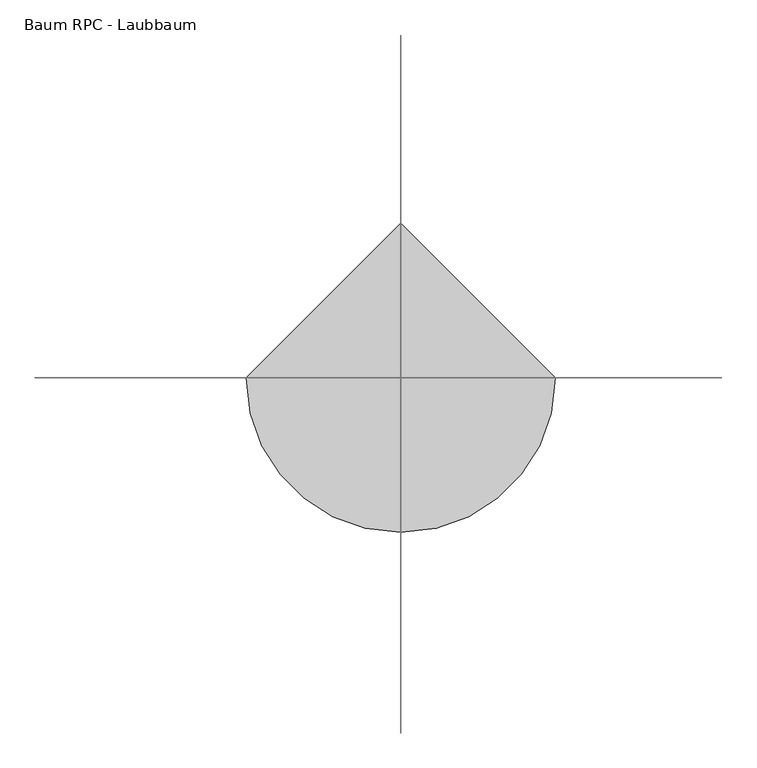
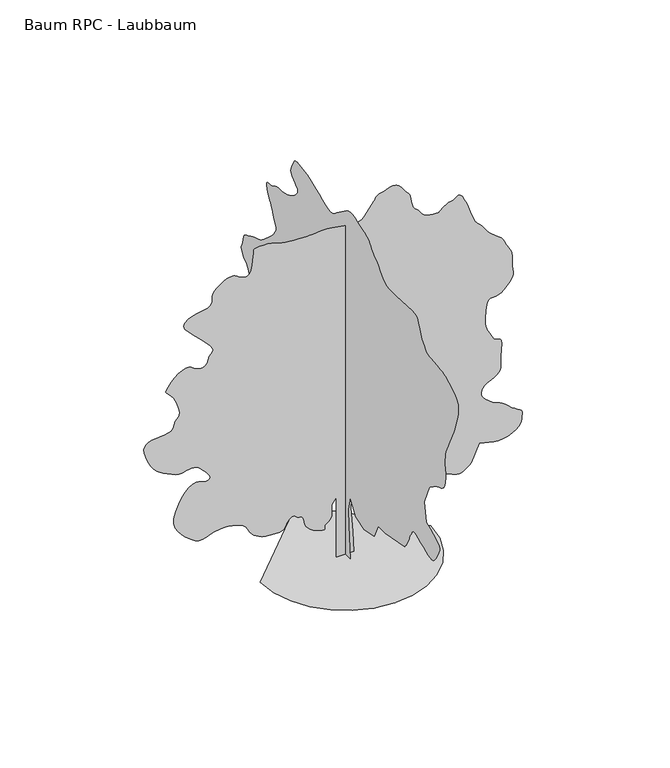
"""IFC4 building model written with IfcOpenShell, lengths in millimetres: geographic element geometry, Baum RPC - Laubbaum."""

from ifc_helpers import new_model, si_unit, origin, place, context, project, spatial, triangles, source, transform, mapped, element, save


def baum_rpc_laubbaum_78a4568a(model_context):
    return source(origin(), model_context, "Body", "Tessellation", [
        triangles([(0.0172504, 306.0074844, 0.0), (0.0172504, -293.5650026, 0.0), (0.0172504, -196.8600042, 1141.1200275), (0.0172504, -177.5185068, 1682.6674953), (0.0172504, -293.5650026, 2185.5350567), (0.0172504, -603.0224945, 1682.6674953), (0.0172504, -1105.8875124, 1527.9400211), (0.0172504, -1686.1174301, 1663.3275421), (0.0172504, -1918.2099495, 2146.8525341), (0.0172504, -2324.3725124, 2146.8525341), (0.0172504, -3446.150116, 2359.6049549), (0.0172504, -3487.4249222, 2409.394939), (0.0172504, -3527.7000801, 2459.5225479), (0.0172504, -3565.9250725, 2510.3249702), (0.0172504, -3601.0999603, 2562.1500046), (0.0172504, -3632.2250954, 2615.3249565), (0.0172504, -3658.2749588, 2670.2000954), (0.0172504, -3678.2499023, 2727.0751122), (0.0172504, -3697.649881, 2785.6750237), (0.0172504, -3722.1251312, 2845.2748741), (0.0172504, -3750.8251236, 2905.7249634), (0.0172504, -3782.89991, 2966.8500114), (0.0172504, -3817.5251221, 3028.475029), (0.0172504, -3853.8249413, 3090.4500252), (0.0172504, -3890.9999977, 3152.5750122), (0.0172504, -3908.7000801, 3172.6499496), (0.0172504, -3933.1750397, 3188.8501236), (0.0172504, -3971.1750458, 3197.2499016), (0.0172504, -4029.4749756, 3193.9751015), (0.0172504, -4114.8499969, 3175.1500877), (0.0172504, -4234.0499886, 3136.8500999), (0.0172504, -4393.8501183, 3075.2250824), (0.0172504, -4562.5749939, 3002.6998581), (0.0172504, -4706.2499451, 2937.9750298), (0.0172504, -4828.2750549, 2886.4249786), (0.0172504, -4932.0251175, 2853.4999535), (0.0172504, -5020.8999252, 2844.5999153), (0.0172504, -5098.249855, 2865.125116), (0.0172504, -5167.5002792, 2920.4999336), (0.0172504, -5237.3750839, 3007.7251328), (0.0172504, -5309.5997452, 3113.9000473), (0.0172504, -5377.1002762, 3229.5499649), (0.0172504, -5432.7497864, 3345.1998825), (0.0172504, -5469.4498718, 3451.3750877), (0.0172504, -5480.1248016, 3538.6249947), (0.0172504, -5457.6250122, 3597.424894), (0.0172504, -5402.6498795, 3641.7000984), (0.0172504, -5323.3000717, 3691.0249947), (0.0172504, -5223.6747574, 3744.5999222), (0.0172504, -5107.774855, 3801.5499344), (0.0172504, -4979.7251129, 3861.0500816), (0.0172504, -4843.5499947, 3922.2251266), (0.0172504, -4703.3251236, 3984.2501198), (0.0172504, -4587.2749397, 4641.8500969), (0.0172504, -4877.3749649, 5318.7747665), (0.0172504, -4886.5249878, 5331.7001404), (0.0172504, -4900.7252838, 5347.4747589), (0.0172504, -4925.0999588, 5369.0251877), (0.0172504, -4964.6748688, 5399.20009), (0.0172504, -5024.5502838, 5440.8498734), (0.0172504, -5109.8247299, 5496.8999405), (0.0172504, -5225.5252258, 5570.225116), (0.0172504, -5351.0501221, 5636.6501312), (0.0172504, -5462.3497238, 5680.0498077), (0.0172504, -5559.4501923, 5715.3499786), (0.0172504, -5642.3497833, 5757.424736), (0.0172504, -5711.0252426, 5821.1499161), (0.0172504, -5765.4998245, 5921.4001923), (0.0172504, -5805.7502747, 6073.0752365), (0.0172504, -5829.0500153, 6222.0498642), (0.0172504, -5835.7501877, 6317.5748474), (0.0172504, -5830.6249191, 6379.6001312), (0.0172504, -5818.3750854, 6428.1000778), (0.0172504, -5803.7748138, 6483.0252136), (0.0172504, -5791.5499786, 6564.3249023), (0.0172504, -5786.4247101, 6692.0002487), (0.0172504, -5788.2251816, 6832.849791), (0.0172504, -5796.1252808, 6949.6752182), (0.0172504, -5813.8247818, 7056.3751007), (0.0172504, -5845.0502014, 7166.7747574), (0.0172504, -5893.550148, 7294.7750839), (0.0172504, -5963.0249771, 7454.2502335), (0.0172504, -6057.1750443, 7659.049942), (0.0172504, -6146.5748199, 7844.1752701), (0.0172504, -6206.1752518, 7955.8748474), (0.0172504, -6246.4751175, 8024.9502823), (0.0172504, -6277.9999374, 8082.1752777), (0.0172504, -6311.225235, 8158.3502792), (0.0172504, -6356.599791, 8284.2751511), (0.0172504, -6424.6752869, 8490.6997604), (0.0172504, -6498.0248795, 8729.4997192), (0.0172504, -6547.3747742, 8935.1499573), (0.0172504, -6565.2498459, 9112.3751862), (0.0172504, -6544.199968, 9265.925116), (0.0172504, -6476.8250107, 9400.5250397), (0.0172504, -6355.6498489, 9520.9002502), (0.0172504, -6173.2249374, 9631.8248749), (0.0172504, -5996.2252762, 9723.0001236), (0.0172504, -5879.7998245, 9785.7747803), (0.0172504, -5799.2250916, 9827.2001587), (0.0172504, -5729.8002594, 9854.4496582), (0.0172504, -5646.85009, 9874.575174), (0.0172504, -5525.6749283, 9894.699527), (0.0172504, -5341.575119, 9921.9501892), (0.0172504, -5144.0999634, 9943.4244598), (0.0172504, -4990.9500092, 9951.725116), (0.0172504, -4869.5998581, 9962.0244873), (0.0172504, -4767.5499825, 9989.5995483), (0.0172504, -4672.2499855, 10049.6505341), (0.0172504, -4571.2000488, 10157.425351), (0.0172504, -4451.8750648, 10328.0998169), (0.0172504, -4347.6750298, 10515.7499908), (0.0172504, -4286.1000092, 10666.5500885), (0.0172504, -4245.8501404, 10783.8254883), (0.0172504, -4205.5749825, 10871.0003998), (0.0172504, -4143.9999619, 10931.4501984), (0.0172504, -4039.7999268, 10968.5502594), (0.0172504, -3871.650016, 10985.7003754), (0.0172504, -2943.2749969, 10927.6748474), (0.0172504, -2772.1499771, 10930.6746643), (0.0172504, -2632.8250511, 10930.2746887), (0.0172504, -2514.4500092, 10937.3254211), (0.0172504, -2406.244986, 10962.6250397), (0.0172504, -2297.3600624, 11017.0496246), (0.0172504, -2176.9724979, 11111.3752625), (0.0172504, -2034.2550465, 11256.4745453), (0.0172504, -1896.7275398, 11403.0249023), (0.0172504, -1793.7050491, 11502.8746216), (0.0172504, -1717.0749882, 11568.5752625), (0.0172504, -1658.7125622, 11612.6248993), (0.0172504, -1610.5025688, 11647.5250946), (0.0172504, -1564.320068, 11685.7995026), (0.0172504, -1512.0500027, 11739.9996826), (0.0172504, -1461.8649845, 11804.0004272), (0.0172504, -1420.8125484, 11863.6002777), (0.0172504, -1379.087479, 11919.1503754), (0.0172504, -1326.8724976, 11970.9495392), (0.0172504, -1254.3574471, 12019.4000702), (0.0172504, -1151.7299904, 12064.7996246), (0.0172504, -1009.182514, 12107.4749268), (0.0172504, -849.1549999, 12154.4999634), (0.0172504, -699.9524792, 12206.6002716), (0.0172504, -560.5600064, 12254.6496643), (0.0172504, -429.9675053, 12289.4998627), (0.0172504, -307.1550161, 12302.0246796), (0.0172504, -191.1079934, 12283.0746735), (0.0172504, -80.8134993, 12223.5248199), (0.0172504, 499.4175176, 11798.0252106), (0.0172504, 562.2325061, 11740.8496307), (0.0172504, 623.0199657, 11688.7504852), (0.0172504, 689.217524, 11646.7751404), (0.0172504, 768.2749804, 11620.0500275), (0.0172504, 867.630035, 11613.6248383), (0.0172504, 994.7275097, 11632.5748444), (0.0172504, 1157.0125168, 11681.9753174), (0.0172504, 1341.1749676, 11755.3254913), (0.0172504, 1526.6899521, 11837.8251068), (0.0172504, 1710.1749733, 11922.0246185), (0.0172504, 1888.2475342, 12000.4500641), (0.0172504, 2057.5249924, 12065.6995697), (0.0172504, 2214.6200546, 12110.3003357), (0.0172504, 2356.1550201, 12126.8249084), (0.0172504, 2484.8875694, 12135.849939), (0.0172504, 2604.4750374, 12156.3754303), (0.0172504, 2712.9251038, 12178.575238), (0.0172504, 2808.1501053, 12192.6755402), (0.0172504, 2888.1748718, 12188.8501923), (0.0172504, 2950.9251114, 12157.2753754), (0.0172504, 2994.400074, 12088.1249451), (0.0172504, 3033.2500282, 12001.2500153), (0.0172504, 3077.8499222, 11921.1246735), (0.0172504, 3119.7499809, 11845.0502472), (0.0172504, 3150.5001389, 11770.3245758), (0.0172504, 3161.6000427, 11694.2745667), (0.0172504, 3144.6249161, 11614.1503876), (0.0172504, 3091.124984, 11527.2498779), (0.0172504, 3009.2500397, 11447.6245056), (0.0172504, 2921.5998665, 11385.2504059), (0.0172504, 2841.4251091, 11331.3502075), (0.0172504, 2781.8749649, 11277.1000305), (0.0172504, 2756.1750801, 11213.7248291), (0.0172504, 2777.4749428, 11132.4251404), (0.0172504, 2859.0249069, 11024.3747589), (0.0172504, 2971.6250107, 10916.7255157), (0.0172504, 3077.7999252, 10838.2000763), (0.0172504, 3178.2249001, 10782.3), (0.0172504, 3273.574894, 10742.6745117), (0.0172504, 3364.5248657, 10712.8251709), (0.0172504, 3451.7750633, 10686.4000397), (0.0172504, 3535.9498672, 10656.8995148), (0.0172504, 3620.024968, 10634.1753204), (0.0172504, 3706.4749237, 10626.6746155), (0.0172504, 3795.2750267, 10625.9502411), (0.0172504, 3886.4499847, 10623.5248077), (0.0172504, 3980.0000885, 10610.9499939), (0.0172504, 4075.9250473, 10579.7495728), (0.0172504, 4174.1998627, 10521.5252197), (0.0172504, 4275.775058, 10469.80047), (0.0172504, 4375.6250679, 10451.2504395), (0.0172504, 4465.0001358, 10446.8995422), (0.0172504, 4535.0999268, 10437.8245148), (0.0172504, 4577.0999794, 10405.075351), (0.0172504, 4582.2249573, 10329.6753021), (0.0172504, 4541.7001053, 10192.7255219), (0.0172504, 4481.7999825, 10048.5994354), (0.0172504, 4432.0751106, 9951.4995483), (0.0172504, 4388.424868, 9882.1247131), (0.0172504, 4346.8250816, 9821.224942), (0.0172504, 4303.1751297, 9749.5002502), (0.0172504, 4253.4249687, 9647.6750702), (0.0172504, 4193.550135, 9496.4499985), (0.0172504, 4130.2749275, 9347.6997757), (0.0172504, 4075.8250534, 9253.7502777), (0.0172504, 4034.1999779, 9195.999733), (0.0172504, 4009.500032, 9155.8498581), (0.0172504, 4005.7749687, 9114.7000443), (0.0172504, 4027.1001205, 9053.900267), (0.0172504, 4077.4999512, 8954.8999146), (0.0172504, 4167.2249977, 8823.6747849), (0.0172504, 4293.1248711, 8684.3501495), (0.0172504, 4439.3499573, 8545.349913), (0.0172504, 4589.9500671, 8415.1497208), (0.0172504, 4729.0750053, 8302.2002197), (0.0172504, 4840.7748734, 8214.9747299), (0.0172504, 4909.1747681, 8161.9000626), (0.0172504, 4969.9001312, 8128.6997635), (0.0172504, 5061.0747986, 8095.1500671), (0.0172504, 5170.5250946, 8060.9248306), (0.0172504, 5286.0750183, 8025.675238), (0.0172504, 5395.524733, 7989.0751465), (0.0172504, 5486.6999817, 7950.8001572), (0.0172504, 5547.4247635, 7910.4747116), (0.0172504, 5598.275148, 7876.9750122), (0.0172504, 5663.0252655, 7853.2997131), (0.0172504, 5734.1749924, 7830.2999542), (0.0172504, 5804.3247803, 7798.8251312), (0.0172504, 5866.0250839, 7749.7752182), (0.0172504, 5911.8001968, 7673.9751938), (0.0172504, 5934.2499893, 7562.325032), (0.0172504, 5952.6250305, 7450.1749008), (0.0172504, 5984.1998474, 7370.8500916), (0.0172504, 6018.4750809, 7312.1501862), (0.0172504, 6045.000206, 7261.899765), (0.0172504, 6053.2252853, 7207.9501511), (0.0172504, 6032.699794, 7138.074765), (0.0172504, 5972.9249542, 7040.1249298), (0.0172504, 5898.7248322, 6948.3747162), (0.0172504, 5838.7250061, 6893.5251572), (0.0172504, 5788.2001831, 6857.9500031), (0.0172504, 5742.4000717, 6824.0497467), (0.0172504, 5696.6249588, 6774.2498795), (0.0172504, 5646.1001358, 6690.9747299), (0.0172504, 5586.0997284, 6556.5997925), (0.0172504, 5520.7002319, 6421.9998688), (0.0172504, 5460.6998245, 6337.1498154), (0.0172504, 5411.5249191, 6283.075209), (0.0172504, 5378.6001846, 6240.824881), (0.0172504, 5367.3247101, 6191.4999847), (0.0172504, 5383.09991, 6116.0999359), (0.0172504, 5431.3748703, 5995.7247253), (0.0172504, 5495.5000259, 5864.0502045), (0.0172504, 5555.8748291, 5761.8250488), (0.0172504, 5613.5747955, 5680.5747757), (0.0172504, 5669.5498672, 5611.8249023), (0.0172504, 5724.8749786, 5547.1497803), (0.0172504, 5780.5250702, 5478.0749268), (0.0172504, 5837.5250793, 5396.1502762), (0.0172504, 5903.6751114, 5315.3499756), (0.0172504, 5980.6500641, 5249.4249298), (0.0172504, 6060.324852, 5189.6000931), (0.0172504, 6134.5999695, 5127.0498413), (0.0172504, 6195.3247513, 5053.0252899), (0.0172504, 6234.4002731, 4958.675235), (0.0172504, 6243.7002869, 4835.2499199), (0.0172504, 6251.5248093, 4738.3250221), (0.0172504, 6280.349794, 4706.349939), (0.0172504, 6313.2251129, 4704.825032), (0.0172504, 6333.2500534, 4699.2500816), (0.0172504, 6323.4750687, 4655.0998695), (0.0172504, 6267.0500244, 4537.8750481), (0.0172504, 6146.999794, 4313.0501083), (0.0172504, 6021.4748978, 4060.8750938), (0.0172504, 5945.6998718, 3875.3750793), (0.0172504, 5898.3248566, 3742.6250427), (0.0172504, 5858.0749878, 3648.7999557), (0.0172504, 5803.5998245, 3580.0000854), (0.0172504, 5713.6000854, 3522.3751144), (0.0172504, 5566.7747452, 3462.0500175), (0.0172504, 5397.250209, 3413.1000984), (0.0172504, 5248.0500137, 3392.5748978), (0.0172504, 5111.025238, 3390.9999939), (0.0172504, 4978.0752136, 3398.9000931), (0.0172504, 4841.0498566, 3406.7749031), (0.0172504, 4691.8499519, 3405.1999992), (0.0172504, 4522.3501236, 3384.6750893), (0.0172504, 4353.2999771, 3366.3000481), (0.0172504, 4207.2498802, 3370.2500977), (0.0172504, 4078.7998718, 3385.7000267), (0.0172504, 3962.5249924, 3401.8249146), (0.0172504, 3853.0249901, 3407.8001312), (0.0172504, 3744.8749054, 3392.799884), (0.0172504, 3632.6500694, 3346.0001244), (0.0172504, 3525.249939, 3296.2499634), (0.0172504, 3436.4251282, 3270.2000999), (0.0172504, 3368.249929, 3253.6249489), (0.0172504, 3322.75009, 3232.3250862), (0.0172504, 3301.9499062, 3192.0499283), (0.0172504, 3307.8751259, 3118.6500481), (0.0172504, 3342.5500443, 2997.8498634), (0.0172504, 3398.475119, 2869.5251381), (0.0172504, 3465.5750931, 2778.7248665), (0.0172504, 3542.0000793, 2719.2500084), (0.0172504, 3625.8499031, 2684.8000763), (0.0172504, 3715.274968, 2669.1248703), (0.0172504, 3808.4250961, 2665.9500641), (0.0172504, 3903.4251114, 2669.0498749), (0.0172504, 4270.9250633, 2262.8999565), (0.0172504, 4299.7250496, 2217.1674282), (0.0172504, 4327.3501076, 2170.5925095), (0.0172504, 4352.6250183, 2122.3249615), (0.0172504, 4374.3248566, 2071.5174522), (0.0172504, 4391.2999832, 2017.3300621), (0.0172504, 4402.3498901, 1958.9125523), (0.0172504, 4406.2999397, 1895.4200615), (0.0172504, 4405.6249809, 1829.2200325), (0.0172504, 4400.8999786, 1763.6974331), (0.0172504, 4388.0248924, 1699.5299835), (0.0172504, 4362.9999664, 1637.3900265), (0.0172504, 4321.7248695, 1577.9574623), (0.0172504, 4260.1501396, 1521.9075405), (0.0172504, 4174.1998627, 1469.9175453), (0.0172504, 4092.2249245, 1425.7650078), (0.0172504, 4034.5999535, 1391.4249527), (0.0172504, 3985.4250481, 1364.8675621), (0.0172504, 3928.800016, 1344.0599659), (0.0172504, 3848.8499542, 1326.9749622), (0.0172504, 3729.6499626, 1311.5799717), (0.0172504, 3555.3001396, 1295.8475018), (0.0172504, 3356.9750359, 1298.1024513), (0.0172504, 3174.2251442, 1332.8375404), (0.0172504, 3003.6500908, 1392.27243), (0.0172504, 2841.8750816, 1468.6199501), (0.0172504, 2685.525032, 1554.1049938), (0.0172504, 2531.1748604, 1640.9425713), (0.0172504, 2375.4949734, 1721.3500179), (0.0172504, 2236.6675461, 1794.4849434), (0.0172504, 2129.3050587, 1863.5599422), (0.0172504, 2044.6099377, 1926.8850014), (0.0172504, 1973.7875164, 1982.7650208), (0.0172504, 1908.0399307, 2029.5099873), (0.0172504, 1838.5700432, 2065.4300331), (0.0172504, 1756.5824604, 2088.8300583), (0.0172504, 1666.4174698, 2108.5650455), (0.0172504, 1577.6074837, 2133.0375343), (0.0172504, 1489.134977, 2159.8799366), (0.0172504, 1399.9875114, 2186.7200134), (0.0172504, 1309.1449459, 2211.1925022), (0.0172504, 1215.5975309, 2230.9274895), (0.0172504, 1118.3299942, 2243.5575325), (0.0172504, 1018.8625191, 2250.1549496), (0.0172504, 919.3925005, 2253.7074944), (0.0172504, 819.9250254, 2254.7225487), (0.0172504, 720.4574776, 2253.7074944), (0.0172504, 620.9900024, 2251.1700039), (0.0172504, 521.5199839, 2247.6174591), (0.0172504, 422.0525087, 2243.5575325), (0.0172504, 228.6430025, 1953.4425373), (0.0172504, 189.960498, 1508.6000679), (280.4450004, 0.0006008, 0.0092122), (-299.7850081, 0.0006008, 0.0092122), (-299.7850081, 0.0004756, 2127.5199932), (-454.5149895, 0.0004756, 1914.7700432), (-454.5149895, 0.0005007, 1682.6775238), (-450.9625174, 0.0005007, 1628.8274677), (-450.9625174, 0.0005007, 1575.1449886), (-458.0674979, 0.0005007, 1521.8024597), (-475.8274967, 0.0005257, 1468.967458), (-507.8000001, 0.0005257, 1416.8100311), (-557.5350094, 0.0005257, 1365.4949947), (-628.5824896, 0.0005257, 1315.1974834), (-684.2375227, 0.0005257, 1262.982502), (-699.6325132, 0.0005257, 1210.0900183), (-696.0799685, 0.0005257, 1162.9524885), (-694.8950117, 0.0005257, 1127.990015), (-717.3950191, 0.0005257, 1111.6375248), (-784.8900272, 0.0005257, 1120.3225325), (-918.6974848, 0.0005257, 1160.4700092), (-1071.3399845, 0.0005257, 1223.0050003), (-1185.4125275, 0.0005257, 1293.6575191), (-1267.3425556, 0.0005257, 1371.0799736), (-1323.5625252, 0.0005257, 1453.9125629), (-1360.49748, 0.0005007, 1540.8049335), (-1384.5749348, 0.0005007, 1630.4049877), (-1402.2250202, 0.0005007, 1721.3600464), (-1406.7350647, 0.0005007, 1746.1124599), (-1413.4449749, 0.0005007, 1770.19006), (-1424.5524364, 0.0005007, 1792.9174519), (-1442.2599312, 0.0005007, 1813.6099388), (-1468.7600578, 0.0005007, 1831.5975037), (-1506.2599491, 0.0005007, 1846.2025715), (-1556.9524944, 0.0005007, 1856.7475674), (-1607.6450397, 0.0005007, 1874.1124958), (-1647.5100483, 0.0005007, 1903.3224861), (-1682.3025467, 0.0004756, 1934.9000645), (-1717.7700039, 0.0004756, 1959.3725533), (-1759.6674465, 0.0004756, 1967.2675655), (-1813.7424889, 0.0004756, 1949.1099529), (-1885.7500122, 0.0005007, 1895.4274738), (-1949.0724552, 0.0005007, 1820.3199944), (-1984.9925011, 0.0005007, 1746.902528), (-2011.1000645, 0.0005007, 1679.2374722), (-2044.9875309, 0.0005007, 1621.382428), (-2104.2525181, 0.0005007, 1577.4025543), (-2206.4824699, 0.0005007, 1551.3499294), (-2369.2750042, 0.0005007, 1547.2900028), (-2549.149926, 0.0005007, 1559.2449417), (-2695.2000229, 0.0005007, 1578.979929), (-2813.8250496, 0.0005007, 1607.1750103), (-2911.4999016, 0.0005007, 1644.5025284), (-2994.6250603, 0.0005007, 1691.6425289), (-3069.600135, 0.0005007, 1749.2724415), (-3142.9250198, 0.0005007, 1818.0650448), (-3205.1000038, 0.0005007, 1893.5100037), (-3249.7248962, 0.0004756, 1969.2975288), (-3287.549913, 0.0004756, 2043.389954), (-3329.4499718, 0.0004756, 2113.7625481), (-3386.2249947, 0.0004756, 2178.3824409), (-3468.7249008, 0.0004756, 2235.2224308), (-3587.7499031, 0.0004756, 2282.2499382), (-3707.4248657, 0.0004756, 2317.9974655), (-3794.2500893, 0.0004506, 2343.2600224), (-3862.8249733, 0.0004506, 2359.3875263), (-3927.6750847, 0.0004506, 2367.7325111), (-4003.3251183, 0.0004506, 2369.6499813), (-4104.3750549, 0.0004506, 2366.4924706), (-4245.3498802, 0.0004506, 2359.6125126), (-4400.3500122, 0.0004506, 2335.1974331), (-4538.1250328, 0.0004756, 2289.8050003), (-4665.0501343, 0.0004756, 2240.3524956), (-4787.5749229, 0.0004756, 2203.7574909), (-4912.1501678, 0.0004756, 2196.9349422), (-5045.1501892, 0.0004756, 2236.7999508), (-5193.0498825, 0.0004506, 2340.2725594), (-5347.7997391, 0.0004506, 2478.6475433), (-5490.6747391, 0.0004506, 2615.9999153), (-5612.2498764, 0.0004256, 2758.4499413), (-5703.0251495, 0.0004256, 2912.049868), (-5753.5499725, 0.0004256, 3082.8999046), (-5754.3499237, 0.0004005, 3277.0999695), (-5695.9250015, 0.0004005, 3500.7249825), (-5598.1501556, 0.0003755, 3726.2748779), (-5489.1998291, 0.0003755, 3919.6999901), (-5372.1499969, 0.0003505, 4077.2499664), (-5250.0248932, 0.0003505, 4195.2000343), (-5125.8499146, 0.0003505, 4269.8501289), (-5002.6998734, 0.0003505, 4297.4998947), (-4883.6001663, 0.0003505, 4274.3751434), (-4771.2750458, 0.0003505, 4235.4749016), (-4671.8250114, 0.0003505, 4218.8750427), (-4593.3248611, 0.0003505, 4225.6499199), (-4543.9249695, 0.0003505, 4256.7750549), (-4531.7501312, 0.0003505, 4313.2750946), (-4564.9001427, 0.0003505, 4396.1749763), (-4651.5000893, 0.0003254, 4506.4749298), (-4752.500029, 0.0003254, 4617.0998634), (-4829.4749817, 0.0003254, 4702.3498924), (-4891.5502625, 0.0003254, 4765.2751213), (-4947.8747314, 0.0003254, 4808.9250732), (-5007.6001556, 0.0003254, 4836.325145), (-5079.8248169, 0.0003004, 4850.5498581), (-5173.7248993, 0.0003004, 4854.5999016), (-5270.0248352, 0.0003254, 4845.5248741), (-5349.7751999, 0.0003254, 4824.5999886), (-5422.3998367, 0.0003254, 4801.3249557), (-5497.39991, 0.0003254, 4785.1250725), (-5584.2248428, 0.0003254, 4785.5250481), (-5692.3752182, 0.0003254, 4811.9748871), (-5831.3248764, 0.0003004, 4873.9498833), (-5978.7751785, 0.0003004, 4948.0997177), (-6108.6248108, 0.0003004, 5012.4248611), (-6224.6252884, 0.0003004, 5078.4748993), (-6330.4502243, 0.0003004, 5157.6997147), (-6429.8749695, 0.0003004, 5261.5997681), (-6526.574881, 0.0002754, 5401.7249359), (-6624.2997299, 0.0002754, 5589.5750977), (-6705.1000305, 0.0002503, 5784.4998276), (-6749.7002151, 0.0002503, 5941.2001465), (-6759.8001801, 0.0002503, 6064.0752045), (-6737.074823, 0.0002253, 6157.4997345), (-6683.2252029, 0.0002253, 6225.9002106), (-6599.9500534, 0.0002253, 6273.6502029), (-6488.899855, 0.0002253, 6305.1750229), (-6357.7997177, 0.0002253, 6323.2750809), (-6219.2750336, 0.0002253, 6333.9500107), (-6082.4002487, 0.0002253, 6346.2748398), (-5956.3748016, 0.0002253, 6369.4501694), (-5850.3248795, 0.0002253, 6412.5998611), (-5773.3499268, 0.0002253, 6484.8251038), (-5734.5999664, 0.0002003, 6595.2997559), (-5705.9749695, 0.0002003, 6701.9752213), (-5661.749762, 0.0002003, 6771.4500504), (-5614.8497177, 0.0002003, 6825.7002274), (-5578.0752182, 0.0002003, 6886.6999924), (-5564.3248947, 0.0001752, 6976.4747452), (-5586.4252899, 0.0001752, 7116.9998886), (-5657.2500366, 0.0001752, 7330.2502441), (-5757.5497284, 0.0001502, 7540.3002136), (-5853.4752686, 0.0001502, 7672.5252823), (-5935.8498917, 0.0001502, 7750.975145), (-5995.5747345, 0.0001252, 7799.6250824), (-6023.4747757, 0.0001252, 7842.5247894), (-6010.4499893, 0.0001252, 7903.7251236), (-5947.3497711, 0.0001252, 8007.2002029), (-5845.6501648, 0.0001252, 8136.3248795), (-5728.0247864, 0.0001001, 8253.9502579), (-5602.2749039, 0.0001001, 8353.3000076), (-5476.1750427, 0.0001001, 8427.6251221), (-5357.5497253, 0.0001001, 8470.1248535), (-5254.1252243, 0.0001001, 8474.0751938), (-5173.7248993, 0.0001001, 8432.6998123), (-5094.9000595, 0.0001001, 8371.00009), (-4997.8001724, 0.0001001, 8322.8501221), (-4892.5751999, 0.0001001, 8294.6500992), (-4789.3751038, 0.0001001, 8292.850209), (-4698.375135, 0.0001001, 8323.8750595), (-4629.6999664, 0.0001001, 8394.1248413), (-4593.5001411, 0.0001001, 8510.0497421), (-4560.3251312, 0.0001001, 8620.5749725), (-4508.2251137, 7.51e-05, 8686.1000427), (-4458.4999512, 7.51e-05, 8730.3002518), (-4432.4500877, 7.51e-05, 8776.8747345), (-4451.4000938, 7.51e-05, 8849.4999527), (-4536.6501228, 7.51e-05, 8971.8750412), (-4709.5500343, 5.01e-05, 9167.6497192), (-4926.3498825, 5.01e-05, 9388.800174), (-5120.1502625, 2.5e-05, 9575.0998489), (-5277.4249649, 2.5e-05, 9731.9751572), (-5384.5998184, 2.5e-05, 9864.8246063), (-5428.2000641, 0.0, 9979.0746094), (-5394.6497864, 0.0, 10080.1254181), (-5270.4248108, 0.0, 10173.3755402), (-5104.7500397, 0.0, 10245.2246429), (-4956.3497955, 0.0, 10286.2744629), (-4825.8749107, 0.0, 10308.3754395), (-4714.0000534, -2.5e-05, 10323.3745239), (-4621.3998917, -2.5e-05, 10343.1000641), (-4548.7749641, -2.5e-05, 10379.4245911), (-4496.7749405, -2.5e-05, 10444.1497101), (-4470.8500694, -2.5e-05, 10520.7252686), (-4466.9000198, -2.5e-05, 10587.8246613), (-4471.4000359, -2.5e-05, 10650.1999237), (-4470.8500694, -2.5e-05, 10712.5751862), (-4451.6750771, -5.01e-05, 10779.6745789), (-4400.3500122, -5.01e-05, 10856.2501373), (-4303.3751175, -5.01e-05, 10947.0248291), (-4184.6750954, -5.01e-05, 11036.8495789), (-4076.1250351, -5.01e-05, 11106.7255463), (-3976.0500389, -7.51e-05, 11155.60047), (-3882.7249214, -7.51e-05, 11182.4999908), (-3794.4750755, -7.51e-05, 11186.3997528), (-3709.6000237, -7.51e-05, 11166.2498199), (-3626.4498665, -5.01e-05, 11121.1002502), (-3540.7248665, -5.01e-05, 11065.9001312), (-3452.3250298, -5.01e-05, 11022.8748505), (-3365.6000908, -5.01e-05, 11001.8249725), (-3284.9500717, -5.01e-05, 11012.5998962), (-3214.7999931, -5.01e-05, 11064.9746063), (-3159.5498772, -7.51e-05, 11168.7996643), (-3123.5750381, -7.51e-05, 11333.8500549), (-3102.0998955, -7.51e-05, 11511.0752838), (-3086.6999634, -0.0001001, 11648.0250641), (-3076.3750122, -0.0001001, 11749.4746857), (-3070.125103, -0.0001001, 11820.1250244), (-3066.9000092, -0.0001001, 11864.7246277), (-3065.7250809, -0.0001001, 11888.025531), (-3065.5500916, -0.0001001, 11894.7251221), (-3040.1248993, -0.0001001, 11898.674881), (-2971.0500458, -0.0001001, 11907.3755127), (-2869.1498703, -0.0001001, 11916.0505646), (-2745.2748734, -0.0001001, 11920.0003235), (-2610.2249771, -0.0001001, 11914.4750793), (-2474.8323692, -0.0001001, 11894.7251221), (-2349.935051, -0.0001001, 11856.0495758), (-2235.4100647, -0.0001001, 11813.0254578), (-2120.5474537, -0.0001001, 11781.8494537), (-2000.2725277, -0.0001001, 11760.1251984), (-1869.5075443, -0.0001001, 11745.5249268), (-1723.1824642, -0.0001001, 11735.675528), (-1556.2175102, -0.0001001, 11728.174823), (-1363.5400269, -0.0001001, 11720.6752808), (-1177.5749971, -0.0001001, 11719.599765), (-1024.4249702, -0.0001001, 11728.6747925), (-889.5449764, -0.0001001, 11741.475174), (-758.3875025, -0.0001001, 11751.5745575), (-616.4050352, -0.0001001, 11752.5244995), (-449.0450109, -0.0001001, 11737.9253906), (-241.763259, -0.0001001, 11701.3252991), (-32.2257492, -0.0001001, 11657.8000488), (136.7125037, -0.0001001, 11627.7995544), (271.8174929, -0.0001001, 11613.0248749), (379.8574825, -0.0001001, 11615.1503265), (467.5975121, -0.0001001, 11635.9246399), (541.8025031, -0.0001001, 11676.9744598), (609.2425, -0.0001001, 11739.9996826), (899.3575315, -0.0001252, 12107.4749268), (942.8899761, -0.0001252, 12164.1505371), (977.6249926, -0.0001252, 12217.4496094), (1008.9749685, -0.0001252, 12266.3245331), (1042.3575239, -0.0001252, 12309.7997864), (1083.1825029, -0.0001252, 12346.8498505), (1136.864982, -0.0001252, 12376.4503693), (1208.8150234, -0.0001252, 12397.6002411), (1297.0049892, -0.0001502, 12421.8499237), (1393.3149536, -0.0001502, 12454.2246918), (1494.0224693, -0.0001502, 12483.8752075), (1595.4100307, -0.0001502, 12499.9998047), (1693.7499584, -0.0001502, 12491.7747253), (1785.3225666, -0.0001502, 12448.349469), (1866.410059, -0.0001252, 12358.9246948), (1938.4149662, -0.0001252, 12256.9251068), (2004.3324543, -0.0001252, 12177.5752991), (2062.8075188, -0.0001252, 12112.7746033), (2112.4850098, -0.0001252, 12054.4246765), (2152.0125389, -0.0001252, 11994.3748535), (2180.0375725, -0.0001001, 11924.5000488), (2195.2049606, -0.0001001, 11836.6995941), (2205.7499565, -0.0001001, 11745.7004974), (2220.3550243, -0.0001001, 11669.9248901), (2238.3424438, -0.0001001, 11606.8252533), (2259.0349308, -7.51e-05, 11553.8749969), (2281.7599972, -7.51e-05, 11508.5254395), (2305.8374519, -7.51e-05, 11468.2755707), (2330.5924816, -7.51e-05, 11430.5499664), (2355.6274361, -7.51e-05, 11413.5754211), (2381.680061, -7.51e-05, 11394.2254395), (2409.760033, -7.51e-05, 11370.1501648), (2440.8876389, -7.51e-05, 11338.9753235), (2476.0724098, -7.51e-05, 11298.3254791), (2516.3248947, -7.51e-05, 11245.8251953), (2562.6749725, -7.51e-05, 11179.1246155), (2631.3751396, -5.01e-05, 11115.7249969), (2728.4750267, -5.01e-05, 11072.3253204), (2839.7749191, -5.01e-05, 11045.1246552), (2951.0751022, -5.01e-05, 11030.4755493), (3048.1749893, -5.01e-05, 11024.6003265), (3116.8748657, -5.01e-05, 11023.8247925), (3142.9250198, -5.01e-05, 11024.4003387), (3156.2750771, -5.01e-05, 11038.3250702), (3192.9998703, -5.01e-05, 11074.2252045), (3247.9750031, -5.01e-05, 11123.3501129), (3316.1499115, -7.51e-05, 11176.8503357), (3392.4249069, -7.51e-05, 11225.9752441), (3471.7750053, -7.51e-05, 11261.8997955), (3549.0749382, -7.51e-05, 11275.824527), (3618.3750687, -7.51e-05, 11292.800235), (3679.5501137, -7.51e-05, 11331.0746429), (3736.350135, -7.51e-05, 11371.7244873), (3792.4499084, -7.51e-05, 11395.8253418), (3851.6000771, -7.51e-05, 11384.3748779), (3917.5251228, -7.51e-05, 11318.4498322), (3993.9251106, -7.51e-05, 11179.1246155), (4065.8750793, -5.01e-05, 11015.4253052), (4119.5500008, -5.01e-05, 10883.1996552), (4160.3751251, -5.01e-05, 10773.6249481), (4193.7501228, -2.5e-05, 10677.9505554), (4225.0999535, -2.5e-05, 10587.3246918), (4259.8498672, -2.5e-05, 10493.0002167), (4303.3751175, -2.5e-05, 10386.1253448), (4348.1000038, 0.0, 10292.3496735), (4386.3749931, 0.0, 10232.749823), (4423.6500435, 0.0, 10191.7755798), (4465.325116, 0.0, 10153.8255707), (4516.799881, 0.0, 10103.3495819), (4583.4998795, 0.0, 10024.7997253), (4670.850071, 0.0, 9902.6002075), (4778.3749031, 2.5e-05, 9766.6003693), (4896.3999664, 2.5e-05, 9652.9247498), (5016.4501968, 2.5e-05, 9555.474884), (5130.075238, 5.01e-05, 9468.1999786), (5228.8000259, 5.01e-05, 9384.974826), (5304.2000748, 5.01e-05, 9299.6997986), (5347.7997391, 5.01e-05, 9206.3252655), (5382.0249756, 5.01e-05, 9114.7500412), (5429.774968, 7.51e-05, 9032.6498199), (5483.3001892, 7.51e-05, 8950.5501801), (5534.7749542, 7.51e-05, 8858.9749557), (5576.449736, 7.51e-05, 8748.4747238), (5600.5250107, 0.0001001, 8609.5250656), (5599.22509, 0.0001001, 8432.6998123), (5596.5752518, 0.0001001, 8262.7497208), (5611.174942, 0.0001252, 8138.7997284), (5627.1251312, 0.0001252, 8042.949765), (5628.5500443, 0.0001252, 7957.224765), (5599.5000732, 0.0001252, 7863.750238), (5524.1250229, 0.0001502, 7744.5249573), (5386.4752853, 0.0001502, 7581.6750137), (5223.124791, 0.0001502, 7444.9502197), (5081.4247192, 0.0001502, 7390.0750809), (4961.7000504, 0.0001502, 7378.1752258), (4864.3248894, 0.0001502, 7370.3501221), (4789.60009, 0.0001752, 7327.6498215), (4737.9000481, 0.0001752, 7211.2249512), (4709.5250359, 0.0001752, 6982.1249817), (4698.9251015, 0.0002003, 6728.5997589), (4700.5250038, 0.0002003, 6550.1751846), (4714.6000168, 0.0002253, 6424.9002731), (4741.5751144, 0.0002253, 6330.7252075), (4781.7249893, 0.0002253, 6245.7001648), (4835.3999107, 0.0002253, 6147.7997452), (4902.950148, 0.0002503, 6015.0752884), (4980.0250946, 0.0002503, 5899.6497757), (5057.7999985, 0.0002503, 5847.1500732), (5129.8002548, 0.0002503, 5825.7752151), (5189.6250916, 0.0002503, 5803.7248169), (5230.8499008, 0.0002503, 5749.200238), (5247.0250763, 0.0002754, 5630.3749329), (5231.7498459, 0.0002754, 5415.5002579), (5210.9999496, 0.0003004, 5178.6001831), (5207.8251434, 0.0003004, 5005.3247131), (5211.4499222, 0.0003004, 4881.0997375), (5210.9999496, 0.0003254, 4791.3999802), (5195.6497238, 0.0003254, 4721.6498772), (5154.5999039, 0.0003254, 4657.3000259), (5077.0249878, 0.0003254, 4583.8248596), (4983.2998947, 0.0003254, 4514.9249954), (4900.3997223, 0.0003254, 4468.3499313), (4827.3251129, 0.0003254, 4435.6498924), (4763.0499664, 0.0003505, 4408.3501053), (4706.5499268, 0.0003505, 4378.0249214), (4656.8250549, 0.0003505, 4336.1748596), (4612.8251244, 0.0003505, 4274.3751434), (4577.8749321, 0.0003505, 4202.8248596), (4558.1249748, 0.0003505, 4135.32491), (4557.0000435, 0.0003505, 4068.8498978), (4577.8749321, 0.0003755, 4000.3250107), (4624.1000175, 0.0003755, 3926.7501411), (4699.1000908, 0.0003755, 3845.024897), (4806.2499458, 0.0003755, 3752.1750412), (4919.8002823, 0.0003755, 3670.8000664), (5016.1252167, 0.0003755, 3617.5001221), (5101.6002319, 0.0004005, 3580.1250778), (5182.6999329, 0.0004005, 3546.4750969), (5265.8000931, 0.0004005, 3504.3500519), (5357.374736, 0.0004005, 3441.5751045), (5463.8252151, 0.0004005, 3346.0001244), (5576.8497116, 0.0004005, 3247.2750458), (5681.0497467, 0.0004005, 3176.6249977), (5772.3999847, 0.0004256, 3124.2249985), (5846.8250931, 0.0004256, 3080.3000633), (5900.2747375, 0.0004256, 3035.0249199), (5928.6997467, 0.0004256, 2978.5748772), (5928.0247879, 0.0004256, 2901.1499519), (5916.924884, 0.0004256, 2813.2500847), (5910.1997131, 0.0004506, 2730.7498878), (5898.0748718, 0.0004506, 2651.975045), (5870.7247971, 0.0004506, 2575.2500771), (5818.350087, 0.0004506, 2498.8349739), (5731.1251785, 0.0004506, 2421.0750401), (5599.22509, 0.0004506, 2340.2725594), (5441.7248199, 0.0004756, 2274.8624531), (5284.2501297, 0.0004756, 2240.917432), (5126.7498596, 0.0004756, 2233.1924675), (4969.2501709, 0.0004756, 2246.4425308), (4811.7748993, 0.0004756, 2275.4250641), (4654.2749199, 0.0004756, 2314.8975094), (4496.7749405, 0.0004506, 2359.6125126), (4225.9998985, 0.0005007, 1760.042569), (4159.6498787, 0.0005007, 1702.5250042), (4092.9248817, 0.0005007, 1648.0549278), (4025.5499245, 0.0005007, 1599.675032), (3957.1500298, 0.0005007, 1560.4274277), (3887.3999268, 0.0005007, 1533.3625099), (3815.9499275, 0.0005007, 1521.5225349), (3742.4750519, 0.0005007, 1527.9500496), (3682.5999275, 0.0005007, 1542.5525013), (3644.6999153, 0.0005007, 1554.7899811), (3617.6501129, 0.0005007, 1567.0274609), (3590.2500412, 0.0005007, 1581.6300579), (3551.3250916, 0.0005007, 1600.9724819), (3489.750071, 0.0005007, 1627.4175247), (3394.3500801, 0.0005007, 1663.3375706), (3270.0751076, 0.0005007, 1715.4949974), (3134.2999649, 0.0005007, 1784.5699963), (2994.450071, 0.0005007, 1863.794957), (2857.9999695, 0.0004756, 1946.40256), (2732.3500809, 0.0004756, 2025.6275208), (2624.9999474, 0.0004756, 2094.7025196), (2543.3499893, 0.0004756, 2146.8625626), (2474.2126396, 0.0004756, 2192.817461), (2400.0074306, 0.0004756, 2246.8925034), (2321.5700672, 0.0004756, 2307.7374813), (2239.7525322, 0.0004506, 2373.9924488), (2155.3950359, 0.0004506, 2444.3074883), (2069.3475266, 0.0004506, 2517.3251244), (1982.4550106, 0.0004506, 2591.6999451), (1963.1124413, 0.0004256, 2881.8249687), (1576.2924477, 0.0004256, 2920.4999336), (880.0150349, 0.0004256, 2862.474987), (415.8325032, 0.0004506, 2611.0499268), (222.4215072, 0.0004756, 2146.8625626), (183.7397477, 0.0005007, 1605.3124786), (241.7622416, 0.0005507, 715.6274672), (-2855.9000977, 0.0, 0.0224297), (-2780.4000549, -654.3849844, 0.0224297), (-2565.3750984, -1255.3350037, 0.0224297), (-2228.0500488, -1785.6274899, 0.0224297), (-1785.6274899, -2228.0500488, 0.0224297), (-1255.3350037, -2565.3750984, 0.0224297), (-654.3849844, -2780.4000549, 0.0224297), (0.0001248, -2855.9000977, 0.0224297), (654.3849844, -2780.4000549, 0.0224297), (1255.3350037, -2565.3750984, 0.0224297), (1785.6274899, -2228.0500488, 0.0224297), (2228.0500488, -1785.6274899, 0.0224297), (2565.3750984, -1255.3350037, 0.0224297), (2780.4000549, -654.3849844, 0.0224297), (2855.9000977, 0.0002503, 0.0224297), (-0.0003745, 2855.9000977, 0.0224297)], [[1, 2, 3], [368, 1, 3], [368, 3, 4], [367, 368, 4], [367, 4, 5], [277, 278, 279], [366, 367, 5], [276, 277, 279], [276, 279, 280], [7, 8, 9], [6, 7, 9], [5, 6, 9], [315, 316, 317], [201, 202, 203], [200, 201, 203], [200, 203, 204], [199, 200, 204], [199, 204, 205], [198, 199, 205], [198, 205, 206], [198, 206, 207], [197, 198, 207], [197, 207, 208], [275, 276, 280], [196, 197, 208], [195, 196, 208], [194, 195, 208], [194, 208, 209], [193, 194, 209], [192, 193, 209], [192, 209, 210], [191, 192, 210], [191, 210, 211], [191, 211, 212], [190, 191, 212], [190, 212, 213], [190, 213, 214], [189, 190, 214], [189, 214, 215], [188, 189, 215], [187, 188, 215], [186, 187, 215], [10, 11, 12], [314, 315, 317], [10, 12, 13], [10, 13, 14], [10, 14, 15], [10, 15, 16], [10, 16, 17], [10, 17, 18], [10, 18, 19], [10, 19, 20], [10, 20, 21], [10, 21, 22], [185, 186, 215], [185, 215, 216], [275, 280, 281], [10, 22, 23], [167, 168, 169], [166, 167, 169], [165, 166, 169], [165, 169, 170], [164, 165, 170], [164, 170, 171], [163, 164, 171], [163, 171, 172], [163, 172, 173], [163, 173, 174], [163, 174, 175], [163, 175, 176], [163, 176, 177], [163, 177, 178], [163, 178, 179], [163, 179, 180], [162, 163, 180], [161, 162, 180], [160, 161, 180], [159, 160, 180], [159, 180, 181], [158, 159, 181], [157, 158, 181], [156, 157, 181], [156, 181, 182], [155, 156, 182], [154, 155, 182], [154, 182, 183], [9, 10, 23], [9, 23, 24], [9, 24, 25], [45, 46, 47], [44, 45, 47], [44, 47, 48], [43, 44, 48], [43, 48, 49], [42, 43, 49], [42, 49, 50], [41, 42, 50], [40, 41, 50], [40, 50, 51], [39, 40, 51], [38, 39, 51], [37, 38, 51], [36, 37, 51], [35, 36, 51], [34, 35, 51], [33, 34, 51], [33, 51, 52], [32, 33, 52], [32, 52, 53], [31, 32, 53], [30, 31, 53], [29, 30, 53], [28, 29, 53], [28, 53, 54], [27, 28, 54], [26, 27, 54], [5, 9, 25], [5, 25, 26], [5, 26, 54], [5, 54, 55], [366, 5, 55], [365, 366, 55], [364, 365, 55], [363, 364, 55], [362, 363, 55], [361, 362, 55], [361, 55, 56], [153, 154, 183], [153, 183, 184], [313, 314, 317], [360, 361, 56], [184, 185, 216], [153, 184, 216], [152, 153, 216], [152, 216, 217], [243, 244, 245], [242, 243, 245], [242, 245, 246], [241, 242, 246], [241, 246, 247], [241, 247, 248], [240, 241, 248], [240, 248, 249], [240, 249, 250], [239, 240, 250], [239, 250, 251], [238, 239, 251], [237, 238, 251], [236, 237, 251], [235, 236, 251], [234, 235, 251], [233, 234, 251], [232, 233, 251], [231, 232, 251], [230, 231, 251], [229, 230, 251], [228, 229, 251], [228, 251, 252], [227, 228, 252], [226, 227, 252], [226, 252, 253], [226, 253, 254], [226, 254, 255], [226, 255, 256], [226, 256, 257], [225, 226, 257], [224, 225, 257], [223, 224, 257], [222, 223, 257], [222, 257, 258], [221, 222, 258], [220, 221, 258], [115, 116, 117], [114, 115, 117], [114, 117, 118], [113, 114, 118], [113, 118, 119], [112, 113, 119], [111, 112, 119], [110, 111, 119], [152, 217, 218], [313, 317, 318], [313, 318, 319], [313, 319, 320], [313, 320, 321], [313, 321, 322], [313, 322, 323], [313, 323, 324], [313, 324, 325], [313, 325, 326], [313, 326, 327], [313, 327, 328], [313, 328, 329], [313, 329, 330], [313, 330, 331], [313, 331, 332], [313, 332, 333], [313, 333, 334], [313, 334, 335], [313, 335, 336], [313, 336, 337], [313, 337, 338], [313, 338, 339], [313, 339, 340], [313, 340, 341], [312, 313, 341], [312, 341, 342], [312, 342, 343], [311, 312, 343], [311, 343, 344], [311, 344, 345], [310, 311, 345], [310, 345, 346], [310, 346, 347], [310, 347, 348], [309, 310, 348], [309, 348, 349], [309, 349, 350], [308, 309, 350], [308, 350, 351], [307, 308, 351], [307, 351, 352], [307, 352, 353], [307, 353, 354], [307, 354, 355], [307, 355, 356], [307, 356, 357], [307, 357, 358], [306, 307, 358], [306, 358, 359], [306, 359, 360], [306, 360, 56], [305, 306, 56], [305, 56, 57], [304, 305, 57], [303, 304, 57], [302, 303, 57], [301, 302, 57], [301, 57, 58], [301, 58, 59], [110, 119, 120], [109, 110, 120], [109, 120, 121], [301, 59, 60], [300, 301, 60], [300, 60, 61], [151, 152, 218], [109, 121, 122], [300, 61, 62], [145, 146, 147], [144, 145, 147], [143, 144, 147], [143, 147, 148], [142, 143, 148], [141, 142, 148], [140, 141, 148], [140, 148, 149], [139, 140, 149], [138, 139, 149], [137, 138, 149], [136, 137, 149], [135, 136, 149], [134, 135, 149], [133, 134, 149], [132, 133, 149], [132, 149, 150], [131, 132, 150], [130, 131, 150], [129, 130, 150], [128, 129, 150], [127, 128, 150], [126, 127, 150], [126, 150, 151], [126, 151, 218], [125, 126, 218], [124, 125, 218], [123, 124, 218], [123, 218, 219], [122, 123, 219], [109, 122, 219], [108, 109, 219], [108, 219, 220], [108, 220, 258], [108, 258, 259], [108, 259, 260], [108, 260, 261], [108, 261, 262], [107, 108, 262], [107, 262, 263], [107, 263, 264], [106, 107, 264], [106, 264, 265], [106, 265, 266], [106, 266, 267], [106, 267, 268], [105, 106, 268], [104, 105, 268], [103, 104, 268], [102, 103, 268], [101, 102, 268], [100, 101, 268], [99, 100, 268], [98, 99, 268], [97, 98, 268], [96, 97, 268], [95, 96, 268], [94, 95, 268], [93, 94, 268], [92, 93, 268], [91, 92, 268], [90, 91, 268], [89, 90, 268], [88, 89, 268], [87, 88, 268], [86, 87, 268], [85, 86, 268], [84, 85, 268], [83, 84, 268], [82, 83, 268], [81, 82, 268], [80, 81, 268], [79, 80, 268], [78, 79, 268], [77, 78, 268], [76, 77, 268], [75, 76, 268], [74, 75, 268], [73, 74, 268], [72, 73, 268], [71, 72, 268], [70, 71, 268], [69, 70, 268], [68, 69, 268], [67, 68, 268], [66, 67, 268], [65, 66, 268], [64, 65, 268], [63, 64, 268], [62, 63, 268], [300, 62, 268], [299, 300, 268], [298, 299, 268], [297, 298, 268], [296, 297, 268], [295, 296, 268], [294, 295, 268], [293, 294, 268], [292, 293, 268], [291, 292, 268], [290, 291, 268], [289, 290, 268], [288, 289, 268], [287, 288, 268], [286, 287, 268], [285, 286, 268], [284, 285, 268], [283, 284, 268], [282, 283, 268], [281, 282, 268], [275, 281, 268], [275, 268, 269], [274, 275, 269], [274, 269, 270], [274, 270, 271], [273, 274, 271], [272, 273, 271], [802, 369, 370], [802, 370, 371], [801, 802, 371], [800, 801, 371], [575, 576, 577], [799, 800, 371], [574, 575, 577], [383, 384, 385], [383, 385, 386], [382, 383, 386], [382, 386, 387], [381, 382, 387], [381, 387, 388], [794, 795, 796], [510, 511, 512], [574, 577, 578], [573, 574, 578], [572, 573, 578], [572, 578, 579], [571, 572, 579], [571, 579, 580], [570, 571, 580], [570, 580, 581], [570, 581, 582], [569, 570, 582], [569, 582, 583], [569, 583, 584], [568, 569, 584], [568, 584, 585], [509, 510, 512], [509, 512, 513], [508, 509, 513], [508, 513, 514], [508, 514, 515], [507, 508, 515], [507, 515, 516], [507, 516, 517], [507, 517, 518], [507, 518, 519], [507, 519, 520], [507, 520, 521], [507, 521, 522], [506, 507, 522], [506, 522, 523], [505, 506, 523], [505, 523, 524], [504, 505, 524], [568, 585, 586], [504, 524, 525], [538, 539, 540], [538, 540, 541], [537, 538, 541], [537, 541, 542], [536, 537, 542], [536, 542, 543], [536, 543, 544], [535, 536, 544], [535, 544, 545], [535, 545, 546], [534, 535, 546], [534, 546, 547], [533, 534, 547], [533, 547, 548], [381, 388, 389], [380, 381, 389], [380, 389, 390], [380, 390, 391], [380, 391, 392], [380, 392, 393], [379, 380, 393], [378, 379, 393], [377, 378, 393], [376, 377, 393], [375, 376, 393], [374, 375, 393], [373, 374, 393], [372, 373, 393], [372, 393, 394], [372, 394, 395], [372, 395, 396], [372, 396, 397], [372, 397, 398], [371, 372, 398], [371, 398, 399], [532, 533, 548], [371, 399, 400], [567, 568, 586], [567, 586, 587], [657, 658, 659], [657, 659, 660], [656, 657, 660], [656, 660, 661], [655, 656, 661], [655, 661, 662], [654, 655, 662], [654, 662, 663], [653, 654, 663], [652, 653, 663], [651, 652, 663], [650, 651, 663], [649, 650, 663], [649, 663, 664], [648, 649, 664], [647, 648, 664], [647, 664, 665], [647, 665, 666], [647, 666, 667], [647, 667, 668], [647, 668, 669], [793, 794, 796], [713, 714, 715], [713, 715, 716], [712, 713, 716], [712, 716, 717], [711, 712, 717], [646, 647, 669], [711, 717, 718], [567, 587, 588], [645, 646, 669], [645, 669, 670], [750, 751, 752], [749, 750, 752], [748, 749, 752], [748, 752, 753], [747, 748, 753], [747, 753, 754], [747, 754, 755], [747, 755, 756], [747, 756, 757], [747, 757, 758], [747, 758, 759], [747, 759, 760], [746, 747, 760], [746, 760, 761], [746, 761, 762], [745, 746, 762], [745, 762, 763], [745, 763, 764], [744, 745, 764], [743, 744, 764], [743, 764, 765], [742, 743, 765], [741, 742, 765], [741, 765, 766], [740, 741, 766], [739, 740, 766], [738, 739, 766], [737, 738, 766], [736, 737, 766], [735, 736, 766], [644, 645, 670], [567, 588, 589], [792, 793, 796], [371, 400, 401], [371, 401, 402], [371, 402, 403], [371, 403, 404], [371, 404, 405], [799, 371, 405], [799, 405, 406], [766, 767, 768], [488, 489, 490], [488, 490, 491], [487, 488, 491], [487, 491, 492], [486, 487, 492], [486, 492, 493], [485, 486, 493], [485, 493, 494], [485, 494, 495], [484, 485, 495], [483, 484, 495], [483, 495, 496], [482, 483, 496], [481, 482, 496], [480, 481, 496], [479, 480, 496], [479, 496, 497], [478, 479, 497], [477, 478, 497], [476, 477, 497], [475, 476, 497], [474, 475, 497], [473, 474, 497], [472, 473, 497], [471, 472, 497], [471, 497, 498], [470, 471, 498], [469, 470, 498], [469, 498, 499], [468, 469, 499], [468, 499, 500], [468, 500, 501], [468, 501, 502], [468, 502, 503], [467, 468, 503], [466, 467, 503], [466, 503, 504], [466, 504, 525], [465, 466, 525], [465, 525, 526], [464, 465, 526], [463, 464, 526], [735, 766, 768], [735, 768, 769], [735, 769, 770], [735, 770, 771], [735, 771, 772], [735, 772, 773], [735, 773, 774], [735, 774, 775], [735, 775, 776], [735, 776, 777], [735, 777, 778], [735, 778, 779], [735, 779, 780], [735, 780, 781], [735, 781, 782], [735, 782, 783], [735, 783, 784], [735, 784, 785], [735, 785, 786], [735, 786, 787], [735, 787, 788], [735, 788, 789], [735, 789, 790], [735, 790, 791], [735, 791, 792], [735, 792, 796], [734, 735, 796], [733, 734, 796], [732, 733, 796], [731, 732, 796], [731, 796, 797], [730, 731, 797], [567, 589, 590], [455, 456, 457], [454, 455, 457], [453, 454, 457], [453, 457, 458], [452, 453, 458], [451, 452, 458], [451, 458, 459], [450, 451, 459], [449, 450, 459], [448, 449, 459], [447, 448, 459], [446, 447, 459], [445, 446, 459], [444, 445, 459], [443, 444, 459], [442, 443, 459], [441, 442, 459], [440, 441, 459], [439, 440, 459], [438, 439, 459], [437, 438, 459], [437, 459, 460], [436, 437, 460], [435, 436, 460], [434, 435, 460], [434, 460, 461], [433, 434, 461], [432, 433, 461], [431, 432, 461], [430, 431, 461], [429, 430, 461], [428, 429, 461], [428, 461, 462], [427, 428, 462], [411, 412, 413], [411, 413, 414], [410, 411, 414], [410, 414, 415], [409, 410, 415], [409, 415, 416], [409, 416, 417], [408, 409, 417], [408, 417, 418], [408, 418, 419], [408, 419, 420], [408, 420, 421], [408, 421, 422], [408, 422, 423], [408, 423, 424], [408, 424, 425], [408, 425, 426], [407, 408, 426], [407, 426, 427], [407, 427, 462], [406, 407, 462], [799, 406, 462], [799, 462, 463], [799, 463, 526], [798, 799, 526], [798, 526, 527], [798, 527, 528], [798, 528, 529], [798, 529, 530], [798, 530, 531], [797, 798, 531], [730, 797, 531], [729, 730, 531], [728, 729, 531], [728, 531, 532], [728, 532, 548], [728, 548, 549], [728, 549, 550], [727, 728, 550], [726, 727, 550], [725, 726, 550], [724, 725, 550], [723, 724, 550], [722, 723, 550], [721, 722, 550], [720, 721, 550], [719, 720, 550], [718, 719, 550], [711, 718, 550], [710, 711, 550], [709, 710, 550], [708, 709, 550], [707, 708, 550], [706, 707, 550], [705, 706, 550], [704, 705, 550], [703, 704, 550], [702, 703, 550], [701, 702, 550], [701, 550, 551], [701, 551, 552], [701, 552, 553], [701, 553, 554], [701, 554, 555], [701, 555, 556], [701, 556, 557], [701, 557, 558], [701, 558, 559], [700, 701, 559], [699, 700, 559], [698, 699, 559], [697, 698, 559], [696, 697, 559], [617, 618, 619], [616, 617, 619], [615, 616, 619], [615, 619, 620], [614, 615, 620], [613, 614, 620], [613, 620, 621], [612, 613, 621], [612, 621, 622], [611, 612, 622], [610, 611, 622], [609, 610, 622], [608, 609, 622], [607, 608, 622], [606, 607, 622], [605, 606, 622], [604, 605, 622], [604, 622, 623], [604, 623, 624], [604, 624, 625], [604, 625, 626], [604, 626, 627], [604, 627, 628], [604, 628, 629], [604, 629, 630], [604, 630, 631], [604, 631, 632], [603, 604, 632], [603, 632, 633], [602, 603, 633], [602, 633, 634], [602, 634, 635], [602, 635, 636], [602, 636, 637], [602, 637, 638], [602, 638, 639], [602, 639, 640], [602, 640, 641], [601, 602, 641], [643, 644, 670], [643, 670, 671], [567, 590, 591], [566, 567, 591], [692, 693, 694], [692, 694, 695], [691, 692, 695], [691, 695, 696], [690, 691, 696], [680, 681, 682], [689, 690, 696], [679, 680, 682], [679, 682, 683], [678, 679, 683], [559, 560, 561], [559, 561, 562], [559, 562, 563], [566, 591, 592], [642, 643, 671], [642, 671, 672], [642, 672, 673], [642, 673, 674], [642, 674, 675], [642, 675, 676], [600, 601, 641], [688, 689, 696], [687, 688, 696], [686, 687, 696], [685, 686, 696], [684, 685, 696], [683, 684, 696], [678, 683, 696], [677, 678, 696], [676, 677, 696], [642, 676, 696], [641, 642, 696], [600, 641, 696], [599, 600, 696], [598, 599, 696], [597, 598, 696], [596, 597, 696], [595, 596, 696], [594, 595, 696], [593, 594, 696], [592, 593, 696], [566, 592, 696], [565, 566, 696], [564, 565, 696], [564, 696, 559], [564, 559, 563], [817, 818, 803], [816, 817, 803], [816, 803, 804], [815, 816, 804], [815, 804, 805], [815, 805, 806], [814, 815, 806], [813, 814, 806], [813, 806, 807], [813, 807, 808], [813, 808, 809], [813, 809, 810], [813, 810, 811], [813, 811, 812]], closed=False),
    ])


if __name__ == "__main__":
    model = new_model("IFC4")
    model_context = context("Model", 3, world=origin())
    ifc_project = project(units=[si_unit("LENGTHUNIT", "METRE", prefix="MILLI")], contexts=[model_context])
    site = spatial("IfcSite", under=ifc_project)
    building = spatial("IfcBuilding", under=site)
    placement = place(None, origin())
    baum_rpc_laubbaum_shape = baum_rpc_laubbaum_78a4568a(model_context)
    element("IfcGeographicElement", 1, ObjectType="Baum RPC - Laubbaum", at=placement, inside=building, context=model_context, shape_type="MappedRepresentation", body=[
        mapped(baum_rpc_laubbaum_shape, transform((0.0, 0.0, 0.0), x_axis=(1.0, 0.0, 0.0), y_axis=(0.0, 1.0, 0.0), z_axis=(0.0, 0.0, 1.0))),
    ])
    save(model, "model.ifc")
